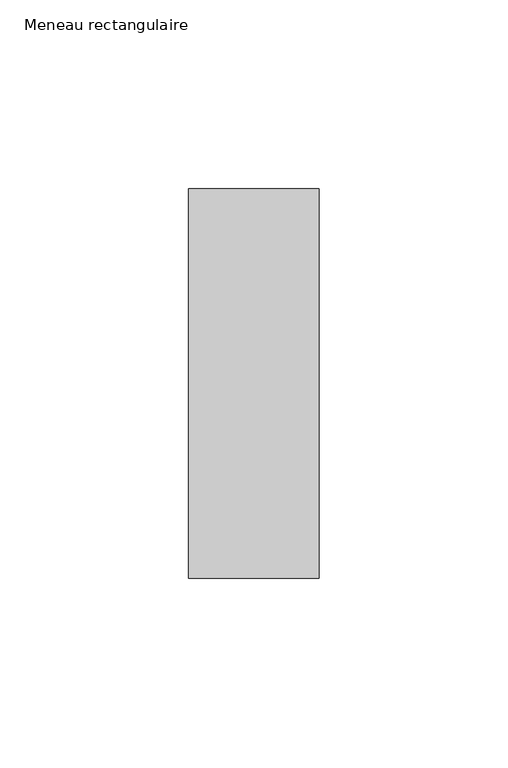
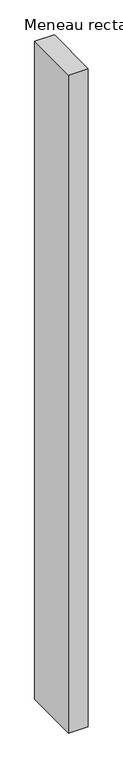
"""IFC4 building model written with IfcOpenShell, lengths in millimetres: member geometry, Meneau rectangulaire."""

from ifc_helpers import new_model, si_unit, frame, origin, place, context, project, spatial, polyline, outline, extrude, source, transform, mapped, element, save


def meneau_rectangulaire_03aba314(model_context):
    return source(origin(), model_context, "Body", "SweptSolid", [
        extrude(outline(polyline([(0.0, 51.5), (0.0, -51.5), (-34.5, -51.5), (-34.5, 51.5), (0.0, 51.5)])), frame((0.0, 0.0, -1220.1250002), z_axis=(0.0, 0.0, 1.0), x_axis=(1.0, 0.0, 0.0)), (0.0, 0.0, 1.0), 1220.1250002),
    ])


if __name__ == "__main__":
    model = new_model("IFC4")
    model_context = context("Model", 3, world=origin())
    ifc_project = project(units=[si_unit("LENGTHUNIT", "METRE", prefix="MILLI")], contexts=[model_context])
    site = spatial("IfcSite", under=ifc_project)
    building = spatial("IfcBuilding", under=site)
    placement = place(None, origin())
    meneau_rectangulaire_shape = meneau_rectangulaire_03aba314(model_context)
    element("IfcMember", 1, ObjectType="Meneau rectangulaire", at=placement, inside=building, context=model_context, shape_type="MappedRepresentation", body=[
        mapped(meneau_rectangulaire_shape, transform((0.0, 0.0, 0.0), x_axis=(1.0, 0.0, 0.0), y_axis=(0.0, 1.0, 0.0), z_axis=(0.0, 0.0, 1.0))),
    ])
    save(model, "model.ifc")
